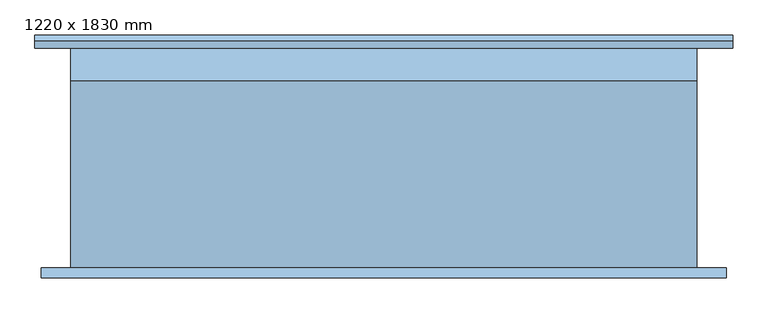
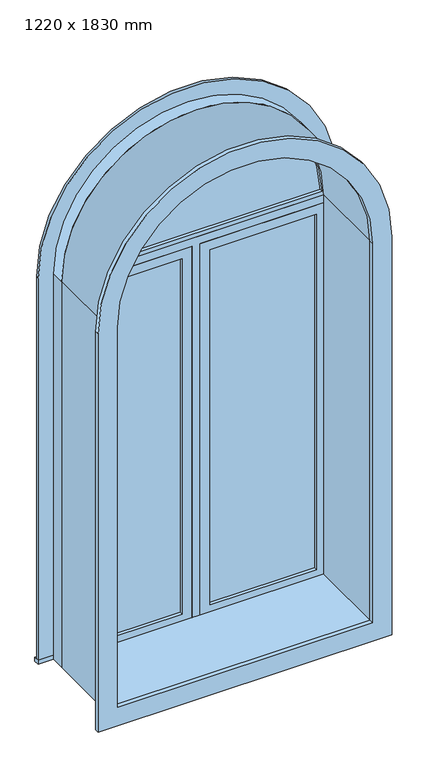
"""IFC4 building model written with IfcOpenShell, lengths in millimetres: window geometry, 1220 x 1830 mm."""

from ifc_helpers import new_model, si_unit, point, frame, frame_2d, origin, place, context, project, spatial, polyline, circle_curve, trimmed, segment, composite_curve, outline, extrude, source, transform, mapped, element, save


def window_1220_x_1830_mm_16824fe6(model_context):
    return source(origin(), model_context, "Body", "SweptSolid", [
        extrude(outline(composite_curve([segment(polyline([(2154.05, -659.2478419), (247.75, -659.2478419), (247.75, 675.2521581), (2154.05, 675.2521581)]), True, "CONTINUOUS"), segment(trimmed(circle_curve(frame_2d((2154.05, 8.0021581)), 667.25), [point((2154.05, 675.2521581))], [point((2154.05, -659.2478419))], False, "CARTESIAN"), True, "CONTINUOUS")], self_intersect=False), holes=[composite_curve([segment(trimmed(circle_curve(frame_2d((2154.05, 8.0021581)), 578.25), [point((2154.05, -570.2478419))], [point((2154.05, 586.2521581))], True, "CARTESIAN"), True, "CONTINUOUS"), segment(polyline([(2154.05, 586.2521581), (336.75, 586.2521581), (336.75, -570.2478419), (2154.05, -570.2478419)]), True, "CONTINUOUS")], self_intersect=False)]), frame((0.0, -233.5, 0.0), z_axis=(0.0, 1.0, 0.0), x_axis=(0.0, 0.0, 1.0)), (0.0, 0.0, 1.0), 19.0),
        extrude(outline(composite_curve([segment(trimmed(circle_curve(frame_2d((2154.05, 8.0021581)), 571.8997779), [point((2173.0999995, 579.5845699))], [point((2173.0999995, -563.5802537))], False, "CARTESIAN"), True, "CONTINUOUS"), segment(polyline([(2173.0999995, -563.5802537), (2173.0999995, 579.5845699)]), True, "CONTINUOUS")], self_intersect=False)), frame((0.0, 166.925, 0.0), z_axis=(0.0, 1.0, 0.0), x_axis=(0.0, 0.0, 1.0)), (0.0, 0.0, 1.0), 12.7),
        extrude(outline(composite_curve([segment(trimmed(circle_curve(frame_2d((2154.05, 8.0021581)), 590.95), [point((2154.05, 598.9521581))], [point((2154.05, -582.9478419))], False, "CARTESIAN"), True, "CONTINUOUS"), segment(polyline([(2154.05, -582.9478419), (2154.05, 598.9521581)]), True, "CONTINUOUS")], self_intersect=False), holes=[composite_curve([segment(polyline([(2173.0999995, 579.5845698), (2173.0999995, -563.5802537)]), True, "CONTINUOUS"), segment(trimmed(circle_curve(frame_2d((2154.05, 8.0021581)), 571.8997779), [point((2173.0999995, -563.5802537))], [point((2173.0999995, 579.5845698))], True, "CARTESIAN"), True, "CONTINUOUS")], self_intersect=False)]), frame((0.0, 151.05, 0.0), z_axis=(0.0, 1.0, 0.0), x_axis=(0.0, 0.0, 1.0)), (0.0, 0.0, 1.0), 44.45),
        extrude(outline(composite_curve([segment(polyline([(305.0, -601.9978419), (305.0, 618.0021581), (2154.05, 618.0021581)]), True, "CONTINUOUS"), segment(trimmed(circle_curve(frame_2d((2154.05, 8.0021581)), 610.0), [point((2154.05, 618.0021581))], [point((2154.05, -601.9978419))], False, "CARTESIAN"), True, "CONTINUOUS"), segment(polyline([(2154.05, -601.9978419), (305.0, -601.9978419)]), True, "CONTINUOUS")], self_intersect=False), holes=[composite_curve([segment(polyline([(324.05, -582.9478419), (2154.05, -582.9478419)]), True, "CONTINUOUS"), segment(trimmed(circle_curve(frame_2d((2154.05, 8.0021581)), 590.95), [point((2154.05, -582.9478419))], [point((2154.05, 598.9521581))], True, "CARTESIAN"), True, "CONTINUOUS"), segment(polyline([(2154.05, 598.9521581), (324.05, 598.9521581), (324.05, -582.9478419)]), True, "CONTINUOUS")], self_intersect=False)]), frame((0.0, 151.05, 0.0), z_axis=(0.0, 1.0, 0.0), x_axis=(0.0, 0.0, 1.0)), (0.0, 0.0, 1.0), 63.45),
        extrude(outline(polyline([(71.5021581, 179.625), (554.5021581, 179.625), (554.5021581, 166.925), (71.5021581, 166.925), (71.5021581, 179.625)])), frame((0.0, 0.0, 368.5), z_axis=(0.0, 0.0, 1.0), x_axis=(1.0, 0.0, 0.0)), (0.0, 0.0, 1.0), 1703.0),
        extrude(outline(polyline([(2115.95, 27.0521581), (324.05, 27.0521581), (324.05, 598.9521581), (2115.95, 598.9521581), (2115.95, 27.0521581)]), holes=[polyline([(2071.5, 71.5021581), (2071.5, 554.5021581), (368.5, 554.5021581), (368.5, 71.5021581), (2071.5, 71.5021581)])]), frame((0.0, 151.05, 0.0), z_axis=(0.0, 1.0, 0.0), x_axis=(0.0, 0.0, 1.0)), (0.0, 0.0, 1.0), 44.45),
        extrude(outline(polyline([(324.05, -11.0478419), (324.05, 27.0521581), (2115.95, 27.0521581), (2115.95, 598.9521581), (2154.05, 598.9521581), (2154.05, -582.9478419), (2115.95, -582.9478419), (2115.95, -11.0478419), (324.05, -11.0478419)])), frame((0.0, 151.05, 0.0), z_axis=(0.0, 1.0, 0.0), x_axis=(0.0, 0.0, 1.0)), (0.0, 0.0, 1.0), 63.5),
        extrude(outline(polyline([(-671.9478419, 240.2), (687.9521581, 240.2), (687.9521581, 214.5), (-671.9478419, 214.5), (-671.9478419, 240.2)])), frame((0.0, 0.0, 305.0), z_axis=(0.0, 0.0, 1.0), x_axis=(1.0, 0.0, 0.0)), (0.0, 0.0, 1.0), 19.05),
        extrude(outline(composite_curve([segment(polyline([(324.05, 598.9521581), (324.05, 687.9521581), (2154.05, 687.9521581)]), True, "CONTINUOUS"), segment(trimmed(circle_curve(frame_2d((2154.05, 8.0021581)), 679.95), [point((2154.05, 687.9521581))], [point((2154.05, -671.9478419))], False, "CARTESIAN"), True, "CONTINUOUS"), segment(polyline([(2154.05, -671.9478419), (324.05, -671.9478419), (324.05, -582.9478419), (2154.05, -582.9478419)]), True, "CONTINUOUS"), segment(trimmed(circle_curve(frame_2d((2154.05, 8.0021581)), 590.95), [point((2154.05, -582.9478419))], [point((2154.05, 598.9521581))], True, "CARTESIAN"), True, "CONTINUOUS"), segment(polyline([(2154.05, 598.9521581), (324.05, 598.9521581)]), True, "CONTINUOUS")], self_intersect=False)), frame((0.0, 214.5, 0.0), z_axis=(0.0, 1.0, 0.0), x_axis=(0.0, 0.0, 1.0)), (0.0, 0.0, 1.0), 13.0),
        extrude(outline(polyline([(-55.4978419, 166.925), (-538.4978419, 166.925), (-538.4978419, 179.625), (-55.4978419, 179.625), (-55.4978419, 166.925)])), frame((0.0, 0.0, 368.5), z_axis=(0.0, 0.0, 1.0), x_axis=(1.0, 0.0, 0.0)), (0.0, 0.0, 1.0), 1703.0),
        extrude(outline(polyline([(2115.95, -582.9478419), (324.05, -582.9478419), (324.05, -11.0478419), (2115.95, -11.0478419), (2115.95, -582.9478419)]), holes=[polyline([(2071.5, -538.4978419), (2071.5, -55.4978419), (368.5, -55.4978419), (368.5, -538.4978419), (2071.5, -538.4978419)])]), frame((0.0, 151.05, 0.0), z_axis=(0.0, 1.0, 0.0), x_axis=(0.0, 0.0, 1.0)), (0.0, 0.0, 1.0), 44.45),
        extrude(outline(composite_curve([segment(polyline([(305.0, 618.0021581), (2154.05, 618.0021581)]), True, "CONTINUOUS"), segment(trimmed(circle_curve(frame_2d((2154.05, 8.0021581)), 610.0), [point((2154.05, 618.0021581))], [point((2154.05, -601.9978419))], False, "CARTESIAN"), True, "CONTINUOUS"), segment(polyline([(2154.05, -601.9978419), (305.0, -601.9978419), (305.0, 618.0021581)]), True, "CONTINUOUS")], self_intersect=False), holes=[composite_curve([segment(polyline([(336.75, 586.2521581), (336.75, -570.2478419), (2154.05, -570.2478419)]), True, "CONTINUOUS"), segment(trimmed(circle_curve(frame_2d((2154.05, 8.0021581)), 578.25), [point((2154.05, -570.2478419))], [point((2154.05, 586.2521581))], True, "CARTESIAN"), True, "CONTINUOUS"), segment(polyline([(2154.05, 586.2521581), (336.75, 586.2521581)]), True, "CONTINUOUS")], self_intersect=False)]), frame((0.0, -214.5, 0.0), z_axis=(0.0, 1.0, 0.0), x_axis=(0.0, 0.0, 1.0)), (0.0, 0.0, 1.0), 365.55),
    ])


if __name__ == "__main__":
    model = new_model("IFC4")
    model_context = context("Model", 3, world=origin())
    ifc_project = project(units=[si_unit("LENGTHUNIT", "METRE", prefix="MILLI")], contexts=[model_context])
    site = spatial("IfcSite", under=ifc_project)
    building = spatial("IfcBuilding", under=site)
    placement = place(None, origin())
    window_1220_x_1830_mm_shape = window_1220_x_1830_mm_16824fe6(model_context)
    element("IfcWindow", 1, ObjectType="1220 x 1830 mm", at=placement, inside=building, context=model_context, shape_type="MappedRepresentation", body=[
        mapped(window_1220_x_1830_mm_shape, transform((0.0, 0.0, 0.0), x_axis=(1.0, 0.0, 0.0), y_axis=(0.0, 1.0, 0.0), z_axis=(0.0, 0.0, 1.0))),
    ])
    save(model, "model.ifc")
